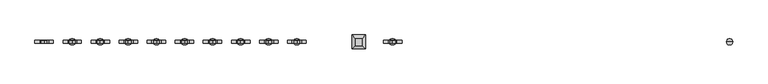
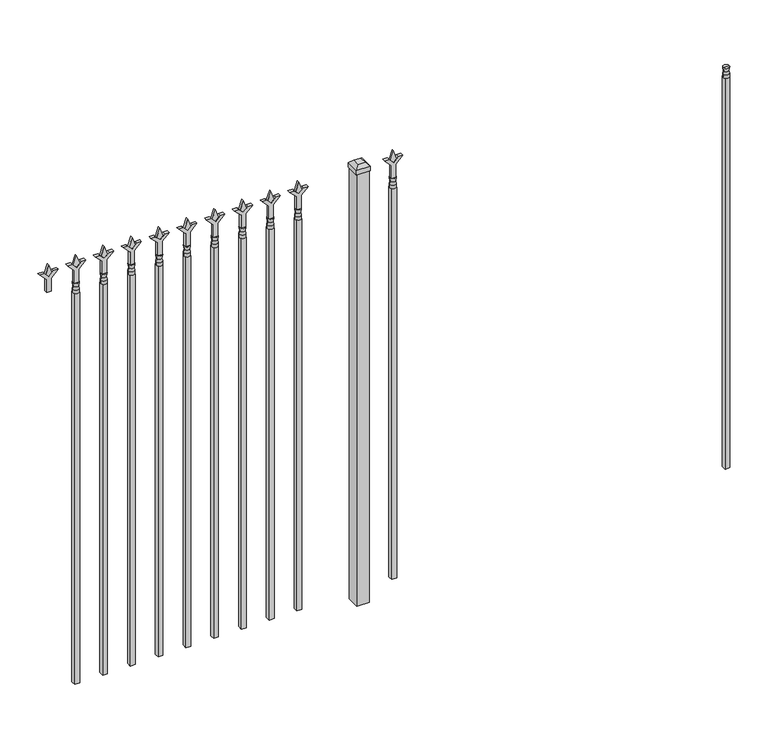
"""IFC4 building model written with IfcOpenShell, lengths in millimetres: railing geometry."""

from ifc_helpers import new_model, si_unit, frame, origin, origin_with_axes, place, context, project, spatial, polyline, circle_curve, outline, extrude, faceted_brep, source, transform, mapped, element, save
from ifc_brep_helpers import plane_surface, cylinder_surface, revolved_surface, advanced_brep


def railing_6a6ed2f3(model_context):
    return source(origin(), model_context, "Body", "SolidModel", [
        advanced_brep(
        [(-64411.574337, -3073.6570174, 1689.1), (-64435.386837, -3073.6570174, 1689.1), (-64435.386837, -3073.6570174, 1676.4), (-64411.574337, -3073.6570174, 1676.4), (-64413.7796688, -3073.6570174, 1701.6070585), (-64433.1815051, -3073.6570174, 1701.6070585), (-64411.574337, -3073.6570174, 1717.675), (-64435.386837, -3073.6570174, 1717.675), (-64423.480587, -3073.6570174, 1717.675), (-64423.480587, -3073.6570174, 1676.4)],
        [
            (0, 1, circle_curve(frame((-64423.480587, -3073.6570174, 1689.1), z_axis=(0.0, 0.0, -1.0), x_axis=(-1.0, 0.0, 0.0)), 11.90625)),
            (1, 2),
            (2, 3, circle_curve(frame((-64423.480587, -3073.6570174, 1676.4), z_axis=(0.0, 0.0, 1.0), x_axis=(-1.0, 0.0, 0.0)), 11.90625)),
            (3, 0),
            (1, 0, circle_curve(frame((-64423.480587, -3073.6570174, 1689.1), z_axis=(0.0, 0.0, -1.0), x_axis=(-1.0, 0.0, 0.0)), 11.90625)),
            (3, 2, circle_curve(frame((-64423.480587, -3073.6570174, 1676.4), z_axis=(0.0, 0.0, 1.0), x_axis=(-1.0, 0.0, 0.0)), 11.90625)),
            (4, 5, circle_curve(frame((-64423.480587, -3073.6570174, 1701.6070585), z_axis=(0.0, 0.0, -1.0), x_axis=(-1.0, 0.0, 0.0)), 9.7009181)),
            (5, 1),
            (0, 4),
            (5, 4, circle_curve(frame((-64423.480587, -3073.6570174, 1701.6070585), z_axis=(0.0, 0.0, -1.0), x_axis=(-1.0, 0.0, 0.0)), 9.7009181)),
            (6, 7, circle_curve(frame((-64423.480587, -3073.6570174, 1717.675), z_axis=(0.0, 0.0, -1.0), x_axis=(-1.0, 0.0, 0.0)), 11.90625)),
            (7, 5),
            (4, 6),
            (7, 6, circle_curve(frame((-64423.480587, -3073.6570174, 1717.675), z_axis=(0.0, 0.0, -1.0), x_axis=(-1.0, 0.0, 0.0)), 11.90625)),
            (8, 7),
            (6, 8),
            (2, 9),
            (9, 3),
        ],
        [
            cylinder_surface(frame((-64423.480587, -3073.6570174, 1676.4), z_axis=(0.0, 0.0, 1.0), x_axis=(-1.0, 0.0, 0.0)), 11.90625),
            revolved_surface(polyline([(-64435.386837, -3073.6570174, 1689.1), (-64433.1815051, -3073.6570174, 1701.6070585)]), (-64423.480587, -3073.6570174, 1676.4), (0.0, 0.0, 1.0)),
            revolved_surface(polyline([(-64433.1815051, -3073.6570174, 1701.6070585), (-64435.386837, -3073.6570174, 1717.675)]), (-64423.480587, -3073.6570174, 1676.4), (0.0, 0.0, 1.0)),
            plane_surface(frame((-64423.480587, -3073.6570174, 1717.675), z_axis=(0.0, 0.0, 1.0), x_axis=(-1.0, 0.0, 0.0))),
            plane_surface(frame((-64423.480587, -3073.6570174, 1676.4), z_axis=(0.0, 0.0, -1.0), x_axis=(-1.0, 0.0, 0.0))),
        ],
        [
            (0, [[1, 2, 3, 4]]),
            (0, [[5, -4, 6, -2]]),
            (1, [[7, 8, -1, 9]]),
            (1, [[10, -9, -5, -8]]),
            (2, [[11, 12, -7, 13]]),
            (2, [[14, -13, -10, -12]]),
            (3, [[15, -11, 16]]),
            (3, [[-16, -14, -15]]),
            (4, [[-3, 17, 18]]),
            (4, [[-6, -18, -17]]),
        ],
    ),
        extrude(outline(polyline([(-64433.005587, -3064.1320174), (-64413.955587, -3064.1320174), (-64413.955587, -3083.1820174), (-64433.005587, -3083.1820174), (-64433.005587, -3064.1320174)])), frame((0.0, 0.0, 50.8), z_axis=(0.0, 0.0, 1.0), x_axis=(1.0, 0.0, 0.0)), (0.0, 0.0, 1.0), 1625.6),
        extrude(outline(polyline([(1793.08125, -65722.849337), (1828.8, -65734.755587), (1793.08125, -65746.661837), (1781.175, -65734.755587), (1793.08125, -65722.849337)])), frame((0.0, -3078.4195174, 0.0), z_axis=(0.0, 1.0, 0.0), x_axis=(0.0, 0.0, 1.0)), (0.0, 0.0, 1.0), 9.525),
        extrude(outline(polyline([(1717.675, -65726.024337), (1771.9457378, -65726.024337), (1799.1355122, -65698.8345625), (1799.1355122, -65716.7950747), (1781.175, -65734.755587), (1799.1355122, -65752.7160992), (1799.1355122, -65770.6766114), (1771.9457378, -65743.486837), (1717.675, -65743.486837), (1717.675, -65726.024337)])), frame((0.0, -3080.0070174, 0.0), z_axis=(0.0, 1.0, 0.0), x_axis=(0.0, 0.0, 1.0)), (0.0, 0.0, 1.0), 12.7),
        advanced_brep(
        [(-65722.849337, -3073.6570174, 1689.1), (-65746.661837, -3073.6570174, 1689.1), (-65746.661837, -3073.6570174, 1676.4), (-65722.849337, -3073.6570174, 1676.4), (-65725.0546688, -3073.6570174, 1701.6070585), (-65744.4565051, -3073.6570174, 1701.6070585), (-65722.849337, -3073.6570174, 1717.675), (-65746.661837, -3073.6570174, 1717.675), (-65734.755587, -3073.6570174, 1717.675), (-65734.755587, -3073.6570174, 1676.4)],
        [
            (0, 1, circle_curve(frame((-65734.755587, -3073.6570174, 1689.1), z_axis=(0.0, 0.0, -1.0), x_axis=(-1.0, 0.0, 0.0)), 11.90625)),
            (1, 2),
            (2, 3, circle_curve(frame((-65734.755587, -3073.6570174, 1676.4), z_axis=(0.0, 0.0, 1.0), x_axis=(-1.0, 0.0, 0.0)), 11.90625)),
            (3, 0),
            (1, 0, circle_curve(frame((-65734.755587, -3073.6570174, 1689.1), z_axis=(0.0, 0.0, -1.0), x_axis=(-1.0, 0.0, 0.0)), 11.90625)),
            (3, 2, circle_curve(frame((-65734.755587, -3073.6570174, 1676.4), z_axis=(0.0, 0.0, 1.0), x_axis=(-1.0, 0.0, 0.0)), 11.90625)),
            (4, 5, circle_curve(frame((-65734.755587, -3073.6570174, 1701.6070585), z_axis=(0.0, 0.0, -1.0), x_axis=(-1.0, 0.0, 0.0)), 9.7009181)),
            (5, 1),
            (0, 4),
            (5, 4, circle_curve(frame((-65734.755587, -3073.6570174, 1701.6070585), z_axis=(0.0, 0.0, -1.0), x_axis=(-1.0, 0.0, 0.0)), 9.7009181)),
            (6, 7, circle_curve(frame((-65734.755587, -3073.6570174, 1717.675), z_axis=(0.0, 0.0, -1.0), x_axis=(-1.0, 0.0, 0.0)), 11.90625)),
            (7, 5),
            (4, 6),
            (7, 6, circle_curve(frame((-65734.755587, -3073.6570174, 1717.675), z_axis=(0.0, 0.0, -1.0), x_axis=(-1.0, 0.0, 0.0)), 11.90625)),
            (8, 7),
            (6, 8),
            (2, 9),
            (9, 3),
        ],
        [
            cylinder_surface(frame((-65734.755587, -3073.6570174, 1676.4), z_axis=(0.0, 0.0, 1.0), x_axis=(-1.0, 0.0, 0.0)), 11.90625),
            revolved_surface(polyline([(-65746.661837, -3073.6570174, 1689.1), (-65744.4565051, -3073.6570174, 1701.6070585)]), (-65734.755587, -3073.6570174, 1676.4), (0.0, 0.0, 1.0)),
            revolved_surface(polyline([(-65744.4565051, -3073.6570174, 1701.6070585), (-65746.661837, -3073.6570174, 1717.675)]), (-65734.755587, -3073.6570174, 1676.4), (0.0, 0.0, 1.0)),
            plane_surface(frame((-65734.755587, -3073.6570174, 1717.675), z_axis=(0.0, 0.0, 1.0), x_axis=(-1.0, 0.0, 0.0))),
            plane_surface(frame((-65734.755587, -3073.6570174, 1676.4), z_axis=(0.0, 0.0, -1.0), x_axis=(-1.0, 0.0, 0.0))),
        ],
        [
            (0, [[1, 2, 3, 4]]),
            (0, [[5, -4, 6, -2]]),
            (1, [[7, 8, -1, 9]]),
            (1, [[10, -9, -5, -8]]),
            (2, [[11, 12, -7, 13]]),
            (2, [[14, -13, -10, -12]]),
            (3, [[15, -11, 16]]),
            (3, [[-16, -14, -15]]),
            (4, [[-3, 17, 18]]),
            (4, [[-6, -18, -17]]),
        ],
    ),
        extrude(outline(polyline([(-65744.280587, -3064.1320174), (-65725.230587, -3064.1320174), (-65725.230587, -3083.1820174), (-65744.280587, -3083.1820174), (-65744.280587, -3064.1320174)])), frame((0.0, 0.0, 50.8), z_axis=(0.0, 0.0, 1.0), x_axis=(1.0, 0.0, 0.0)), (0.0, 0.0, 1.0), 1625.6),
        extrude(outline(polyline([(-65841.118087, -3048.2570174), (-65841.118087, -3099.0570174), (-65891.918087, -3099.0570174), (-65891.918087, -3048.2570174), (-65841.118087, -3048.2570174)])), origin_with_axes(), (0.0, 0.0, 1.0), 1797.05),
        faceted_brep([(-65893.505587, -3046.6695174, 1816.1), (-65893.505587, -3046.6695174, 1797.05), (-65893.505587, -3100.6445174, 1797.05), (-65893.505587, -3100.6445174, 1816.1), (-65880.805587, -3059.3695174, 1828.8), (-65880.805587, -3087.9445174, 1828.8), (-65839.530587, -3100.6445174, 1797.05), (-65839.530587, -3100.6445174, 1816.1), (-65852.230587, -3087.9445174, 1828.8), (-65839.530587, -3046.6695174, 1797.05), (-65839.530587, -3046.6695174, 1816.1), (-65852.230587, -3059.3695174, 1828.8)], [[[0, 1, 2, 3]], [[4, 0, 3, 5]], [[3, 2, 6, 7]], [[5, 3, 7, 8]], [[7, 6, 9, 10]], [[8, 7, 10, 11]], [[10, 9, 1, 0]], [[11, 10, 0, 4]], [[5, 8, 11, 4]], [[1, 9, 6, 2]]]),
        extrude(outline(polyline([(1793.08125, -66095.6472536), (1828.8, -66107.5535036), (1793.08125, -66119.4597536), (1781.175, -66107.5535036), (1793.08125, -66095.6472536)])), frame((0.0, -3078.4195174, 0.0), z_axis=(0.0, 1.0, 0.0), x_axis=(0.0, 0.0, 1.0)), (0.0, 0.0, 1.0), 9.525),
        extrude(outline(polyline([(1717.675, -66098.8222536), (1771.9457378, -66098.8222536), (1799.1355122, -66071.6324791), (1799.1355122, -66089.5929914), (1781.175, -66107.5535036), (1799.1355122, -66125.5140159), (1799.1355122, -66143.4745281), (1771.9457378, -66116.2847536), (1717.675, -66116.2847536), (1717.675, -66098.8222536)])), frame((0.0, -3080.0070174, 0.0), z_axis=(0.0, 1.0, 0.0), x_axis=(0.0, 0.0, 1.0)), (0.0, 0.0, 1.0), 12.7),
        advanced_brep(
        [(-66095.6472536, -3073.6570174, 1689.1), (-66119.4597536, -3073.6570174, 1689.1), (-66119.4597536, -3073.6570174, 1676.4), (-66095.6472536, -3073.6570174, 1676.4), (-66097.8525855, -3073.6570174, 1701.6070585), (-66117.2544218, -3073.6570174, 1701.6070585), (-66095.6472536, -3073.6570174, 1717.675), (-66119.4597536, -3073.6570174, 1717.675), (-66107.5535036, -3073.6570174, 1717.675), (-66107.5535036, -3073.6570174, 1676.4)],
        [
            (0, 1, circle_curve(frame((-66107.5535036, -3073.6570174, 1689.1), z_axis=(0.0, 0.0, -1.0), x_axis=(-1.0, 0.0, 0.0)), 11.90625)),
            (1, 2),
            (2, 3, circle_curve(frame((-66107.5535036, -3073.6570174, 1676.4), z_axis=(0.0, 0.0, 1.0), x_axis=(-1.0, 0.0, 0.0)), 11.90625)),
            (3, 0),
            (1, 0, circle_curve(frame((-66107.5535036, -3073.6570174, 1689.1), z_axis=(0.0, 0.0, -1.0), x_axis=(-1.0, 0.0, 0.0)), 11.90625)),
            (3, 2, circle_curve(frame((-66107.5535036, -3073.6570174, 1676.4), z_axis=(0.0, 0.0, 1.0), x_axis=(-1.0, 0.0, 0.0)), 11.90625)),
            (4, 5, circle_curve(frame((-66107.5535036, -3073.6570174, 1701.6070585), z_axis=(0.0, 0.0, -1.0), x_axis=(-1.0, 0.0, 0.0)), 9.7009181)),
            (5, 1),
            (0, 4),
            (5, 4, circle_curve(frame((-66107.5535036, -3073.6570174, 1701.6070585), z_axis=(0.0, 0.0, -1.0), x_axis=(-1.0, 0.0, 0.0)), 9.7009181)),
            (6, 7, circle_curve(frame((-66107.5535036, -3073.6570174, 1717.675), z_axis=(0.0, 0.0, -1.0), x_axis=(-1.0, 0.0, 0.0)), 11.90625)),
            (7, 5),
            (4, 6),
            (7, 6, circle_curve(frame((-66107.5535036, -3073.6570174, 1717.675), z_axis=(0.0, 0.0, -1.0), x_axis=(-1.0, 0.0, 0.0)), 11.90625)),
            (8, 7),
            (6, 8),
            (2, 9),
            (9, 3),
        ],
        [
            cylinder_surface(frame((-66107.5535036, -3073.6570174, 1676.4), z_axis=(0.0, 0.0, 1.0), x_axis=(-1.0, 0.0, 0.0)), 11.90625),
            revolved_surface(polyline([(-66119.4597536, -3073.6570174, 1689.1), (-66117.2544218, -3073.6570174, 1701.6070585)]), (-66107.5535036, -3073.6570174, 1676.4), (0.0, 0.0, 1.0)),
            revolved_surface(polyline([(-66117.2544218, -3073.6570174, 1701.6070585), (-66119.4597536, -3073.6570174, 1717.675)]), (-66107.5535036, -3073.6570174, 1676.4), (0.0, 0.0, 1.0)),
            plane_surface(frame((-66107.5535036, -3073.6570174, 1717.675), z_axis=(0.0, 0.0, 1.0), x_axis=(-1.0, 0.0, 0.0))),
            plane_surface(frame((-66107.5535036, -3073.6570174, 1676.4), z_axis=(0.0, 0.0, -1.0), x_axis=(-1.0, 0.0, 0.0))),
        ],
        [
            (0, [[1, 2, 3, 4]]),
            (0, [[5, -4, 6, -2]]),
            (1, [[7, 8, -1, 9]]),
            (1, [[10, -9, -5, -8]]),
            (2, [[11, 12, -7, 13]]),
            (2, [[14, -13, -10, -12]]),
            (3, [[15, -11, 16]]),
            (3, [[-16, -14, -15]]),
            (4, [[-3, 17, 18]]),
            (4, [[-6, -18, -17]]),
        ],
    ),
        extrude(outline(polyline([(-66117.0785036, -3064.1320174), (-66098.0285036, -3064.1320174), (-66098.0285036, -3083.1820174), (-66117.0785036, -3083.1820174), (-66117.0785036, -3064.1320174)])), frame((0.0, 0.0, 50.8), z_axis=(0.0, 0.0, 1.0), x_axis=(1.0, 0.0, 0.0)), (0.0, 0.0, 1.0), 1625.6),
        extrude(outline(polyline([(1793.08125, -66204.9201703), (1828.8, -66216.8264203), (1793.08125, -66228.7326703), (1781.175, -66216.8264203), (1793.08125, -66204.9201703)])), frame((0.0, -3078.4195174, 0.0), z_axis=(0.0, 1.0, 0.0), x_axis=(0.0, 0.0, 1.0)), (0.0, 0.0, 1.0), 9.525),
        extrude(outline(polyline([(1717.675, -66208.0951703), (1771.9457378, -66208.0951703), (1799.1355122, -66180.9053958), (1799.1355122, -66198.8659081), (1781.175, -66216.8264203), (1799.1355122, -66234.7869325), (1799.1355122, -66252.7474448), (1771.9457378, -66225.5576703), (1717.675, -66225.5576703), (1717.675, -66208.0951703)])), frame((0.0, -3080.0070174, 0.0), z_axis=(0.0, 1.0, 0.0), x_axis=(0.0, 0.0, 1.0)), (0.0, 0.0, 1.0), 12.7),
        advanced_brep(
        [(-66204.9201703, -3073.6570174, 1689.1), (-66228.7326703, -3073.6570174, 1689.1), (-66228.7326703, -3073.6570174, 1676.4), (-66204.9201703, -3073.6570174, 1676.4), (-66207.1255022, -3073.6570174, 1701.6070585), (-66226.5273384, -3073.6570174, 1701.6070585), (-66204.9201703, -3073.6570174, 1717.675), (-66228.7326703, -3073.6570174, 1717.675), (-66216.8264203, -3073.6570174, 1717.675), (-66216.8264203, -3073.6570174, 1676.4)],
        [
            (0, 1, circle_curve(frame((-66216.8264203, -3073.6570174, 1689.1), z_axis=(0.0, 0.0, -1.0), x_axis=(-1.0, 0.0, 0.0)), 11.90625)),
            (1, 2),
            (2, 3, circle_curve(frame((-66216.8264203, -3073.6570174, 1676.4), z_axis=(0.0, 0.0, 1.0), x_axis=(-1.0, 0.0, 0.0)), 11.90625)),
            (3, 0),
            (1, 0, circle_curve(frame((-66216.8264203, -3073.6570174, 1689.1), z_axis=(0.0, 0.0, -1.0), x_axis=(-1.0, 0.0, 0.0)), 11.90625)),
            (3, 2, circle_curve(frame((-66216.8264203, -3073.6570174, 1676.4), z_axis=(0.0, 0.0, 1.0), x_axis=(-1.0, 0.0, 0.0)), 11.90625)),
            (4, 5, circle_curve(frame((-66216.8264203, -3073.6570174, 1701.6070585), z_axis=(0.0, 0.0, -1.0), x_axis=(-1.0, 0.0, 0.0)), 9.7009181)),
            (5, 1),
            (0, 4),
            (5, 4, circle_curve(frame((-66216.8264203, -3073.6570174, 1701.6070585), z_axis=(0.0, 0.0, -1.0), x_axis=(-1.0, 0.0, 0.0)), 9.7009181)),
            (6, 7, circle_curve(frame((-66216.8264203, -3073.6570174, 1717.675), z_axis=(0.0, 0.0, -1.0), x_axis=(-1.0, 0.0, 0.0)), 11.90625)),
            (7, 5),
            (4, 6),
            (7, 6, circle_curve(frame((-66216.8264203, -3073.6570174, 1717.675), z_axis=(0.0, 0.0, -1.0), x_axis=(-1.0, 0.0, 0.0)), 11.90625)),
            (8, 7),
            (6, 8),
            (2, 9),
            (9, 3),
        ],
        [
            cylinder_surface(frame((-66216.8264203, -3073.6570174, 1676.4), z_axis=(0.0, 0.0, 1.0), x_axis=(-1.0, 0.0, 0.0)), 11.90625),
            revolved_surface(polyline([(-66228.7326703, -3073.6570174, 1689.1), (-66226.5273384, -3073.6570174, 1701.6070585)]), (-66216.8264203, -3073.6570174, 1676.4), (0.0, 0.0, 1.0)),
            revolved_surface(polyline([(-66226.5273384, -3073.6570174, 1701.6070585), (-66228.7326703, -3073.6570174, 1717.675)]), (-66216.8264203, -3073.6570174, 1676.4), (0.0, 0.0, 1.0)),
            plane_surface(frame((-66216.8264203, -3073.6570174, 1717.675), z_axis=(0.0, 0.0, 1.0), x_axis=(-1.0, 0.0, 0.0))),
            plane_surface(frame((-66216.8264203, -3073.6570174, 1676.4), z_axis=(0.0, 0.0, -1.0), x_axis=(-1.0, 0.0, 0.0))),
        ],
        [
            (0, [[1, 2, 3, 4]]),
            (0, [[5, -4, 6, -2]]),
            (1, [[7, 8, -1, 9]]),
            (1, [[10, -9, -5, -8]]),
            (2, [[11, 12, -7, 13]]),
            (2, [[14, -13, -10, -12]]),
            (3, [[15, -11, 16]]),
            (3, [[-16, -14, -15]]),
            (4, [[-3, 17, 18]]),
            (4, [[-6, -18, -17]]),
        ],
    ),
        extrude(outline(polyline([(-66226.3514203, -3064.1320174), (-66207.3014203, -3064.1320174), (-66207.3014203, -3083.1820174), (-66226.3514203, -3083.1820174), (-66226.3514203, -3064.1320174)])), frame((0.0, 0.0, 50.8), z_axis=(0.0, 0.0, 1.0), x_axis=(1.0, 0.0, 0.0)), (0.0, 0.0, 1.0), 1625.6),
        extrude(outline(polyline([(1793.08125, -66314.193087), (1828.8, -66326.099337), (1793.08125, -66338.005587), (1781.175, -66326.099337), (1793.08125, -66314.193087)])), frame((0.0, -3078.4195174, 0.0), z_axis=(0.0, 1.0, 0.0), x_axis=(0.0, 0.0, 1.0)), (0.0, 0.0, 1.0), 9.525),
        extrude(outline(polyline([(1717.675, -66317.368087), (1771.9457378, -66317.368087), (1799.1355122, -66290.1783125), (1799.1355122, -66308.1388247), (1781.175, -66326.099337), (1799.1355122, -66344.0598492), (1799.1355122, -66362.0203614), (1771.9457378, -66334.830587), (1717.675, -66334.830587), (1717.675, -66317.368087)])), frame((0.0, -3080.0070174, 0.0), z_axis=(0.0, 1.0, 0.0), x_axis=(0.0, 0.0, 1.0)), (0.0, 0.0, 1.0), 12.7),
        advanced_brep(
        [(-66314.193087, -3073.6570174, 1689.1), (-66338.005587, -3073.6570174, 1689.1), (-66338.005587, -3073.6570174, 1676.4), (-66314.193087, -3073.6570174, 1676.4), (-66316.3984188, -3073.6570174, 1701.6070585), (-66335.8002551, -3073.6570174, 1701.6070585), (-66314.193087, -3073.6570174, 1717.675), (-66338.005587, -3073.6570174, 1717.675), (-66326.099337, -3073.6570174, 1717.675), (-66326.099337, -3073.6570174, 1676.4)],
        [
            (0, 1, circle_curve(frame((-66326.099337, -3073.6570174, 1689.1), z_axis=(0.0, 0.0, -1.0), x_axis=(-1.0, 0.0, 0.0)), 11.90625)),
            (1, 2),
            (2, 3, circle_curve(frame((-66326.099337, -3073.6570174, 1676.4), z_axis=(0.0, 0.0, 1.0), x_axis=(-1.0, 0.0, 0.0)), 11.90625)),
            (3, 0),
            (1, 0, circle_curve(frame((-66326.099337, -3073.6570174, 1689.1), z_axis=(0.0, 0.0, -1.0), x_axis=(-1.0, 0.0, 0.0)), 11.90625)),
            (3, 2, circle_curve(frame((-66326.099337, -3073.6570174, 1676.4), z_axis=(0.0, 0.0, 1.0), x_axis=(-1.0, 0.0, 0.0)), 11.90625)),
            (4, 5, circle_curve(frame((-66326.099337, -3073.6570174, 1701.6070585), z_axis=(0.0, 0.0, -1.0), x_axis=(-1.0, 0.0, 0.0)), 9.7009181)),
            (5, 1),
            (0, 4),
            (5, 4, circle_curve(frame((-66326.099337, -3073.6570174, 1701.6070585), z_axis=(0.0, 0.0, -1.0), x_axis=(-1.0, 0.0, 0.0)), 9.7009181)),
            (6, 7, circle_curve(frame((-66326.099337, -3073.6570174, 1717.675), z_axis=(0.0, 0.0, -1.0), x_axis=(-1.0, 0.0, 0.0)), 11.90625)),
            (7, 5),
            (4, 6),
            (7, 6, circle_curve(frame((-66326.099337, -3073.6570174, 1717.675), z_axis=(0.0, 0.0, -1.0), x_axis=(-1.0, 0.0, 0.0)), 11.90625)),
            (8, 7),
            (6, 8),
            (2, 9),
            (9, 3),
        ],
        [
            cylinder_surface(frame((-66326.099337, -3073.6570174, 1676.4), z_axis=(0.0, 0.0, 1.0), x_axis=(-1.0, 0.0, 0.0)), 11.90625),
            revolved_surface(polyline([(-66338.005587, -3073.6570174, 1689.1), (-66335.8002551, -3073.6570174, 1701.6070585)]), (-66326.099337, -3073.6570174, 1676.4), (0.0, 0.0, 1.0)),
            revolved_surface(polyline([(-66335.8002551, -3073.6570174, 1701.6070585), (-66338.005587, -3073.6570174, 1717.675)]), (-66326.099337, -3073.6570174, 1676.4), (0.0, 0.0, 1.0)),
            plane_surface(frame((-66326.099337, -3073.6570174, 1717.675), z_axis=(0.0, 0.0, 1.0), x_axis=(-1.0, 0.0, 0.0))),
            plane_surface(frame((-66326.099337, -3073.6570174, 1676.4), z_axis=(0.0, 0.0, -1.0), x_axis=(-1.0, 0.0, 0.0))),
        ],
        [
            (0, [[1, 2, 3, 4]]),
            (0, [[5, -4, 6, -2]]),
            (1, [[7, 8, -1, 9]]),
            (1, [[10, -9, -5, -8]]),
            (2, [[11, 12, -7, 13]]),
            (2, [[14, -13, -10, -12]]),
            (3, [[15, -11, 16]]),
            (3, [[-16, -14, -15]]),
            (4, [[-3, 17, 18]]),
            (4, [[-6, -18, -17]]),
        ],
    ),
        extrude(outline(polyline([(-66335.624337, -3064.1320174), (-66316.574337, -3064.1320174), (-66316.574337, -3083.1820174), (-66335.624337, -3083.1820174), (-66335.624337, -3064.1320174)])), frame((0.0, 0.0, 50.8), z_axis=(0.0, 0.0, 1.0), x_axis=(1.0, 0.0, 0.0)), (0.0, 0.0, 1.0), 1625.6),
        extrude(outline(polyline([(1793.08125, -66423.4660036), (1828.8, -66435.3722536), (1793.08125, -66447.2785036), (1781.175, -66435.3722536), (1793.08125, -66423.4660036)])), frame((0.0, -3078.4195174, 0.0), z_axis=(0.0, 1.0, 0.0), x_axis=(0.0, 0.0, 1.0)), (0.0, 0.0, 1.0), 9.525),
        extrude(outline(polyline([(1717.675, -66426.6410036), (1771.9457378, -66426.6410036), (1799.1355122, -66399.4512291), (1799.1355122, -66417.4117414), (1781.175, -66435.3722536), (1799.1355122, -66453.3327659), (1799.1355122, -66471.2932781), (1771.9457378, -66444.1035036), (1717.675, -66444.1035036), (1717.675, -66426.6410036)])), frame((0.0, -3080.0070174, 0.0), z_axis=(0.0, 1.0, 0.0), x_axis=(0.0, 0.0, 1.0)), (0.0, 0.0, 1.0), 12.7),
        advanced_brep(
        [(-66423.4660036, -3073.6570174, 1689.1), (-66447.2785036, -3073.6570174, 1689.1), (-66447.2785036, -3073.6570174, 1676.4), (-66423.4660036, -3073.6570174, 1676.4), (-66425.6713355, -3073.6570174, 1701.6070585), (-66445.0731718, -3073.6570174, 1701.6070585), (-66423.4660036, -3073.6570174, 1717.675), (-66447.2785036, -3073.6570174, 1717.675), (-66435.3722536, -3073.6570174, 1717.675), (-66435.3722536, -3073.6570174, 1676.4)],
        [
            (0, 1, circle_curve(frame((-66435.3722536, -3073.6570174, 1689.1), z_axis=(0.0, 0.0, -1.0), x_axis=(-1.0, 0.0, 0.0)), 11.90625)),
            (1, 2),
            (2, 3, circle_curve(frame((-66435.3722536, -3073.6570174, 1676.4), z_axis=(0.0, 0.0, 1.0), x_axis=(-1.0, 0.0, 0.0)), 11.90625)),
            (3, 0),
            (1, 0, circle_curve(frame((-66435.3722536, -3073.6570174, 1689.1), z_axis=(0.0, 0.0, -1.0), x_axis=(-1.0, 0.0, 0.0)), 11.90625)),
            (3, 2, circle_curve(frame((-66435.3722536, -3073.6570174, 1676.4), z_axis=(0.0, 0.0, 1.0), x_axis=(-1.0, 0.0, 0.0)), 11.90625)),
            (4, 5, circle_curve(frame((-66435.3722536, -3073.6570174, 1701.6070585), z_axis=(0.0, 0.0, -1.0), x_axis=(-1.0, 0.0, 0.0)), 9.7009181)),
            (5, 1),
            (0, 4),
            (5, 4, circle_curve(frame((-66435.3722536, -3073.6570174, 1701.6070585), z_axis=(0.0, 0.0, -1.0), x_axis=(-1.0, 0.0, 0.0)), 9.7009181)),
            (6, 7, circle_curve(frame((-66435.3722536, -3073.6570174, 1717.675), z_axis=(0.0, 0.0, -1.0), x_axis=(-1.0, 0.0, 0.0)), 11.90625)),
            (7, 5),
            (4, 6),
            (7, 6, circle_curve(frame((-66435.3722536, -3073.6570174, 1717.675), z_axis=(0.0, 0.0, -1.0), x_axis=(-1.0, 0.0, 0.0)), 11.90625)),
            (8, 7),
            (6, 8),
            (2, 9),
            (9, 3),
        ],
        [
            cylinder_surface(frame((-66435.3722536, -3073.6570174, 1676.4), z_axis=(0.0, 0.0, 1.0), x_axis=(-1.0, 0.0, 0.0)), 11.90625),
            revolved_surface(polyline([(-66447.2785036, -3073.6570174, 1689.1), (-66445.0731718, -3073.6570174, 1701.6070585)]), (-66435.3722536, -3073.6570174, 1676.4), (0.0, 0.0, 1.0)),
            revolved_surface(polyline([(-66445.0731718, -3073.6570174, 1701.6070585), (-66447.2785036, -3073.6570174, 1717.675)]), (-66435.3722536, -3073.6570174, 1676.4), (0.0, 0.0, 1.0)),
            plane_surface(frame((-66435.3722536, -3073.6570174, 1717.675), z_axis=(0.0, 0.0, 1.0), x_axis=(-1.0, 0.0, 0.0))),
            plane_surface(frame((-66435.3722536, -3073.6570174, 1676.4), z_axis=(0.0, 0.0, -1.0), x_axis=(-1.0, 0.0, 0.0))),
        ],
        [
            (0, [[1, 2, 3, 4]]),
            (0, [[5, -4, 6, -2]]),
            (1, [[7, 8, -1, 9]]),
            (1, [[10, -9, -5, -8]]),
            (2, [[11, 12, -7, 13]]),
            (2, [[14, -13, -10, -12]]),
            (3, [[15, -11, 16]]),
            (3, [[-16, -14, -15]]),
            (4, [[-3, 17, 18]]),
            (4, [[-6, -18, -17]]),
        ],
    ),
        extrude(outline(polyline([(-66444.8972536, -3064.1320174), (-66425.8472536, -3064.1320174), (-66425.8472536, -3083.1820174), (-66444.8972536, -3083.1820174), (-66444.8972536, -3064.1320174)])), frame((0.0, 0.0, 50.8), z_axis=(0.0, 0.0, 1.0), x_axis=(1.0, 0.0, 0.0)), (0.0, 0.0, 1.0), 1625.6),
        extrude(outline(polyline([(1793.08125, -66532.7389203), (1828.8, -66544.6451703), (1793.08125, -66556.5514203), (1781.175, -66544.6451703), (1793.08125, -66532.7389203)])), frame((0.0, -3078.4195174, 0.0), z_axis=(0.0, 1.0, 0.0), x_axis=(0.0, 0.0, 1.0)), (0.0, 0.0, 1.0), 9.525),
        extrude(outline(polyline([(1717.675, -66535.9139203), (1771.9457378, -66535.9139203), (1799.1355122, -66508.7241458), (1799.1355122, -66526.6846581), (1781.175, -66544.6451703), (1799.1355122, -66562.6056825), (1799.1355122, -66580.5661948), (1771.9457378, -66553.3764203), (1717.675, -66553.3764203), (1717.675, -66535.9139203)])), frame((0.0, -3080.0070174, 0.0), z_axis=(0.0, 1.0, 0.0), x_axis=(0.0, 0.0, 1.0)), (0.0, 0.0, 1.0), 12.7),
        advanced_brep(
        [(-66532.7389203, -3073.6570174, 1689.1), (-66556.5514203, -3073.6570174, 1689.1), (-66556.5514203, -3073.6570174, 1676.4), (-66532.7389203, -3073.6570174, 1676.4), (-66534.9442522, -3073.6570174, 1701.6070585), (-66554.3460884, -3073.6570174, 1701.6070585), (-66532.7389203, -3073.6570174, 1717.675), (-66556.5514203, -3073.6570174, 1717.675), (-66544.6451703, -3073.6570174, 1717.675), (-66544.6451703, -3073.6570174, 1676.4)],
        [
            (0, 1, circle_curve(frame((-66544.6451703, -3073.6570174, 1689.1), z_axis=(0.0, 0.0, -1.0), x_axis=(-1.0, 0.0, 0.0)), 11.90625)),
            (1, 2),
            (2, 3, circle_curve(frame((-66544.6451703, -3073.6570174, 1676.4), z_axis=(0.0, 0.0, 1.0), x_axis=(-1.0, 0.0, 0.0)), 11.90625)),
            (3, 0),
            (1, 0, circle_curve(frame((-66544.6451703, -3073.6570174, 1689.1), z_axis=(0.0, 0.0, -1.0), x_axis=(-1.0, 0.0, 0.0)), 11.90625)),
            (3, 2, circle_curve(frame((-66544.6451703, -3073.6570174, 1676.4), z_axis=(0.0, 0.0, 1.0), x_axis=(-1.0, 0.0, 0.0)), 11.90625)),
            (4, 5, circle_curve(frame((-66544.6451703, -3073.6570174, 1701.6070585), z_axis=(0.0, 0.0, -1.0), x_axis=(-1.0, 0.0, 0.0)), 9.7009181)),
            (5, 1),
            (0, 4),
            (5, 4, circle_curve(frame((-66544.6451703, -3073.6570174, 1701.6070585), z_axis=(0.0, 0.0, -1.0), x_axis=(-1.0, 0.0, 0.0)), 9.7009181)),
            (6, 7, circle_curve(frame((-66544.6451703, -3073.6570174, 1717.675), z_axis=(0.0, 0.0, -1.0), x_axis=(-1.0, 0.0, 0.0)), 11.90625)),
            (7, 5),
            (4, 6),
            (7, 6, circle_curve(frame((-66544.6451703, -3073.6570174, 1717.675), z_axis=(0.0, 0.0, -1.0), x_axis=(-1.0, 0.0, 0.0)), 11.90625)),
            (8, 7),
            (6, 8),
            (2, 9),
            (9, 3),
        ],
        [
            cylinder_surface(frame((-66544.6451703, -3073.6570174, 1676.4), z_axis=(0.0, 0.0, 1.0), x_axis=(-1.0, 0.0, 0.0)), 11.90625),
            revolved_surface(polyline([(-66556.5514203, -3073.6570174, 1689.1), (-66554.3460884, -3073.6570174, 1701.6070585)]), (-66544.6451703, -3073.6570174, 1676.4), (0.0, 0.0, 1.0)),
            revolved_surface(polyline([(-66554.3460884, -3073.6570174, 1701.6070585), (-66556.5514203, -3073.6570174, 1717.675)]), (-66544.6451703, -3073.6570174, 1676.4), (0.0, 0.0, 1.0)),
            plane_surface(frame((-66544.6451703, -3073.6570174, 1717.675), z_axis=(0.0, 0.0, 1.0), x_axis=(-1.0, 0.0, 0.0))),
            plane_surface(frame((-66544.6451703, -3073.6570174, 1676.4), z_axis=(0.0, 0.0, -1.0), x_axis=(-1.0, 0.0, 0.0))),
        ],
        [
            (0, [[1, 2, 3, 4]]),
            (0, [[5, -4, 6, -2]]),
            (1, [[7, 8, -1, 9]]),
            (1, [[10, -9, -5, -8]]),
            (2, [[11, 12, -7, 13]]),
            (2, [[14, -13, -10, -12]]),
            (3, [[15, -11, 16]]),
            (3, [[-16, -14, -15]]),
            (4, [[-3, 17, 18]]),
            (4, [[-6, -18, -17]]),
        ],
    ),
        extrude(outline(polyline([(-66554.1701703, -3064.1320174), (-66535.1201703, -3064.1320174), (-66535.1201703, -3083.1820174), (-66554.1701703, -3083.1820174), (-66554.1701703, -3064.1320174)])), frame((0.0, 0.0, 50.8), z_axis=(0.0, 0.0, 1.0), x_axis=(1.0, 0.0, 0.0)), (0.0, 0.0, 1.0), 1625.6),
        extrude(outline(polyline([(1793.08125, -66642.011837), (1828.8, -66653.918087), (1793.08125, -66665.824337), (1781.175, -66653.918087), (1793.08125, -66642.011837)])), frame((0.0, -3078.4195174, 0.0), z_axis=(0.0, 1.0, 0.0), x_axis=(0.0, 0.0, 1.0)), (0.0, 0.0, 1.0), 9.525),
        extrude(outline(polyline([(1717.675, -66645.186837), (1771.9457378, -66645.186837), (1799.1355122, -66617.9970625), (1799.1355122, -66635.9575747), (1781.175, -66653.918087), (1799.1355122, -66671.8785992), (1799.1355122, -66689.8391114), (1771.9457378, -66662.649337), (1717.675, -66662.649337), (1717.675, -66645.186837)])), frame((0.0, -3080.0070174, 0.0), z_axis=(0.0, 1.0, 0.0), x_axis=(0.0, 0.0, 1.0)), (0.0, 0.0, 1.0), 12.7),
        advanced_brep(
        [(-66642.011837, -3073.6570174, 1689.1), (-66665.824337, -3073.6570174, 1689.1), (-66665.824337, -3073.6570174, 1676.4), (-66642.011837, -3073.6570174, 1676.4), (-66644.2171688, -3073.6570174, 1701.6070585), (-66663.6190051, -3073.6570174, 1701.6070585), (-66642.011837, -3073.6570174, 1717.675), (-66665.824337, -3073.6570174, 1717.675), (-66653.918087, -3073.6570174, 1717.675), (-66653.918087, -3073.6570174, 1676.4)],
        [
            (0, 1, circle_curve(frame((-66653.918087, -3073.6570174, 1689.1), z_axis=(0.0, 0.0, -1.0), x_axis=(-1.0, 0.0, 0.0)), 11.90625)),
            (1, 2),
            (2, 3, circle_curve(frame((-66653.918087, -3073.6570174, 1676.4), z_axis=(0.0, 0.0, 1.0), x_axis=(-1.0, 0.0, 0.0)), 11.90625)),
            (3, 0),
            (1, 0, circle_curve(frame((-66653.918087, -3073.6570174, 1689.1), z_axis=(0.0, 0.0, -1.0), x_axis=(-1.0, 0.0, 0.0)), 11.90625)),
            (3, 2, circle_curve(frame((-66653.918087, -3073.6570174, 1676.4), z_axis=(0.0, 0.0, 1.0), x_axis=(-1.0, 0.0, 0.0)), 11.90625)),
            (4, 5, circle_curve(frame((-66653.918087, -3073.6570174, 1701.6070585), z_axis=(0.0, 0.0, -1.0), x_axis=(-1.0, 0.0, 0.0)), 9.7009181)),
            (5, 1),
            (0, 4),
            (5, 4, circle_curve(frame((-66653.918087, -3073.6570174, 1701.6070585), z_axis=(0.0, 0.0, -1.0), x_axis=(-1.0, 0.0, 0.0)), 9.7009181)),
            (6, 7, circle_curve(frame((-66653.918087, -3073.6570174, 1717.675), z_axis=(0.0, 0.0, -1.0), x_axis=(-1.0, 0.0, 0.0)), 11.90625)),
            (7, 5),
            (4, 6),
            (7, 6, circle_curve(frame((-66653.918087, -3073.6570174, 1717.675), z_axis=(0.0, 0.0, -1.0), x_axis=(-1.0, 0.0, 0.0)), 11.90625)),
            (8, 7),
            (6, 8),
            (2, 9),
            (9, 3),
        ],
        [
            cylinder_surface(frame((-66653.918087, -3073.6570174, 1676.4), z_axis=(0.0, 0.0, 1.0), x_axis=(-1.0, 0.0, 0.0)), 11.90625),
            revolved_surface(polyline([(-66665.824337, -3073.6570174, 1689.1), (-66663.6190051, -3073.6570174, 1701.6070585)]), (-66653.918087, -3073.6570174, 1676.4), (0.0, 0.0, 1.0)),
            revolved_surface(polyline([(-66663.6190051, -3073.6570174, 1701.6070585), (-66665.824337, -3073.6570174, 1717.675)]), (-66653.918087, -3073.6570174, 1676.4), (0.0, 0.0, 1.0)),
            plane_surface(frame((-66653.918087, -3073.6570174, 1717.675), z_axis=(0.0, 0.0, 1.0), x_axis=(-1.0, 0.0, 0.0))),
            plane_surface(frame((-66653.918087, -3073.6570174, 1676.4), z_axis=(0.0, 0.0, -1.0), x_axis=(-1.0, 0.0, 0.0))),
        ],
        [
            (0, [[1, 2, 3, 4]]),
            (0, [[5, -4, 6, -2]]),
            (1, [[7, 8, -1, 9]]),
            (1, [[10, -9, -5, -8]]),
            (2, [[11, 12, -7, 13]]),
            (2, [[14, -13, -10, -12]]),
            (3, [[15, -11, 16]]),
            (3, [[-16, -14, -15]]),
            (4, [[-3, 17, 18]]),
            (4, [[-6, -18, -17]]),
        ],
    ),
        extrude(outline(polyline([(-66663.443087, -3064.1320174), (-66644.393087, -3064.1320174), (-66644.393087, -3083.1820174), (-66663.443087, -3083.1820174), (-66663.443087, -3064.1320174)])), frame((0.0, 0.0, 50.8), z_axis=(0.0, 0.0, 1.0), x_axis=(1.0, 0.0, 0.0)), (0.0, 0.0, 1.0), 1625.6),
        extrude(outline(polyline([(1793.08125, -66751.2847536), (1828.8, -66763.1910036), (1793.08125, -66775.0972536), (1781.175, -66763.1910036), (1793.08125, -66751.2847536)])), frame((0.0, -3078.4195174, 0.0), z_axis=(0.0, 1.0, 0.0), x_axis=(0.0, 0.0, 1.0)), (0.0, 0.0, 1.0), 9.525),
        extrude(outline(polyline([(1717.675, -66754.4597536), (1771.9457378, -66754.4597536), (1799.1355122, -66727.2699791), (1799.1355122, -66745.2304914), (1781.175, -66763.1910036), (1799.1355122, -66781.1515159), (1799.1355122, -66799.1120281), (1771.9457378, -66771.9222536), (1717.675, -66771.9222536), (1717.675, -66754.4597536)])), frame((0.0, -3080.0070174, 0.0), z_axis=(0.0, 1.0, 0.0), x_axis=(0.0, 0.0, 1.0)), (0.0, 0.0, 1.0), 12.7),
        advanced_brep(
        [(-66751.2847536, -3073.6570174, 1689.1), (-66775.0972536, -3073.6570174, 1689.1), (-66775.0972536, -3073.6570174, 1676.4), (-66751.2847536, -3073.6570174, 1676.4), (-66753.4900855, -3073.6570174, 1701.6070585), (-66772.8919218, -3073.6570174, 1701.6070585), (-66751.2847536, -3073.6570174, 1717.675), (-66775.0972536, -3073.6570174, 1717.675), (-66763.1910036, -3073.6570174, 1717.675), (-66763.1910036, -3073.6570174, 1676.4)],
        [
            (0, 1, circle_curve(frame((-66763.1910036, -3073.6570174, 1689.1), z_axis=(0.0, 0.0, -1.0), x_axis=(-1.0, 0.0, 0.0)), 11.90625)),
            (1, 2),
            (2, 3, circle_curve(frame((-66763.1910036, -3073.6570174, 1676.4), z_axis=(0.0, 0.0, 1.0), x_axis=(-1.0, 0.0, 0.0)), 11.90625)),
            (3, 0),
            (1, 0, circle_curve(frame((-66763.1910036, -3073.6570174, 1689.1), z_axis=(0.0, 0.0, -1.0), x_axis=(-1.0, 0.0, 0.0)), 11.90625)),
            (3, 2, circle_curve(frame((-66763.1910036, -3073.6570174, 1676.4), z_axis=(0.0, 0.0, 1.0), x_axis=(-1.0, 0.0, 0.0)), 11.90625)),
            (4, 5, circle_curve(frame((-66763.1910036, -3073.6570174, 1701.6070585), z_axis=(0.0, 0.0, -1.0), x_axis=(-1.0, 0.0, 0.0)), 9.7009181)),
            (5, 1),
            (0, 4),
            (5, 4, circle_curve(frame((-66763.1910036, -3073.6570174, 1701.6070585), z_axis=(0.0, 0.0, -1.0), x_axis=(-1.0, 0.0, 0.0)), 9.7009181)),
            (6, 7, circle_curve(frame((-66763.1910036, -3073.6570174, 1717.675), z_axis=(0.0, 0.0, -1.0), x_axis=(-1.0, 0.0, 0.0)), 11.90625)),
            (7, 5),
            (4, 6),
            (7, 6, circle_curve(frame((-66763.1910036, -3073.6570174, 1717.675), z_axis=(0.0, 0.0, -1.0), x_axis=(-1.0, 0.0, 0.0)), 11.90625)),
            (8, 7),
            (6, 8),
            (2, 9),
            (9, 3),
        ],
        [
            cylinder_surface(frame((-66763.1910036, -3073.6570174, 1676.4), z_axis=(0.0, 0.0, 1.0), x_axis=(-1.0, 0.0, 0.0)), 11.90625),
            revolved_surface(polyline([(-66775.0972536, -3073.6570174, 1689.1), (-66772.8919218, -3073.6570174, 1701.6070585)]), (-66763.1910036, -3073.6570174, 1676.4), (0.0, 0.0, 1.0)),
            revolved_surface(polyline([(-66772.8919218, -3073.6570174, 1701.6070585), (-66775.0972536, -3073.6570174, 1717.675)]), (-66763.1910036, -3073.6570174, 1676.4), (0.0, 0.0, 1.0)),
            plane_surface(frame((-66763.1910036, -3073.6570174, 1717.675), z_axis=(0.0, 0.0, 1.0), x_axis=(-1.0, 0.0, 0.0))),
            plane_surface(frame((-66763.1910036, -3073.6570174, 1676.4), z_axis=(0.0, 0.0, -1.0), x_axis=(-1.0, 0.0, 0.0))),
        ],
        [
            (0, [[1, 2, 3, 4]]),
            (0, [[5, -4, 6, -2]]),
            (1, [[7, 8, -1, 9]]),
            (1, [[10, -9, -5, -8]]),
            (2, [[11, 12, -7, 13]]),
            (2, [[14, -13, -10, -12]]),
            (3, [[15, -11, 16]]),
            (3, [[-16, -14, -15]]),
            (4, [[-3, 17, 18]]),
            (4, [[-6, -18, -17]]),
        ],
    ),
        extrude(outline(polyline([(-66772.7160036, -3064.1320174), (-66753.6660036, -3064.1320174), (-66753.6660036, -3083.1820174), (-66772.7160036, -3083.1820174), (-66772.7160036, -3064.1320174)])), frame((0.0, 0.0, 50.8), z_axis=(0.0, 0.0, 1.0), x_axis=(1.0, 0.0, 0.0)), (0.0, 0.0, 1.0), 1625.6),
        extrude(outline(polyline([(1793.08125, -66860.5576703), (1828.8, -66872.4639203), (1793.08125, -66884.3701703), (1781.175, -66872.4639203), (1793.08125, -66860.5576703)])), frame((0.0, -3078.4195174, 0.0), z_axis=(0.0, 1.0, 0.0), x_axis=(0.0, 0.0, 1.0)), (0.0, 0.0, 1.0), 9.525),
        extrude(outline(polyline([(1717.675, -66863.7326703), (1771.9457378, -66863.7326703), (1799.1355122, -66836.5428958), (1799.1355122, -66854.5034081), (1781.175, -66872.4639203), (1799.1355122, -66890.4244325), (1799.1355122, -66908.3849448), (1771.9457378, -66881.1951703), (1717.675, -66881.1951703), (1717.675, -66863.7326703)])), frame((0.0, -3080.0070174, 0.0), z_axis=(0.0, 1.0, 0.0), x_axis=(0.0, 0.0, 1.0)), (0.0, 0.0, 1.0), 12.7),
        advanced_brep(
        [(-66860.5576703, -3073.6570174, 1689.1), (-66884.3701703, -3073.6570174, 1689.1), (-66884.3701703, -3073.6570174, 1676.4), (-66860.5576703, -3073.6570174, 1676.4), (-66862.7630022, -3073.6570174, 1701.6070585), (-66882.1648384, -3073.6570174, 1701.6070585), (-66860.5576703, -3073.6570174, 1717.675), (-66884.3701703, -3073.6570174, 1717.675), (-66872.4639203, -3073.6570174, 1717.675), (-66872.4639203, -3073.6570174, 1676.4)],
        [
            (0, 1, circle_curve(frame((-66872.4639203, -3073.6570174, 1689.1), z_axis=(0.0, 0.0, -1.0), x_axis=(-1.0, 0.0, 0.0)), 11.90625)),
            (1, 2),
            (2, 3, circle_curve(frame((-66872.4639203, -3073.6570174, 1676.4), z_axis=(0.0, 0.0, 1.0), x_axis=(-1.0, 0.0, 0.0)), 11.90625)),
            (3, 0),
            (1, 0, circle_curve(frame((-66872.4639203, -3073.6570174, 1689.1), z_axis=(0.0, 0.0, -1.0), x_axis=(-1.0, 0.0, 0.0)), 11.90625)),
            (3, 2, circle_curve(frame((-66872.4639203, -3073.6570174, 1676.4), z_axis=(0.0, 0.0, 1.0), x_axis=(-1.0, 0.0, 0.0)), 11.90625)),
            (4, 5, circle_curve(frame((-66872.4639203, -3073.6570174, 1701.6070585), z_axis=(0.0, 0.0, -1.0), x_axis=(-1.0, 0.0, 0.0)), 9.7009181)),
            (5, 1),
            (0, 4),
            (5, 4, circle_curve(frame((-66872.4639203, -3073.6570174, 1701.6070585), z_axis=(0.0, 0.0, -1.0), x_axis=(-1.0, 0.0, 0.0)), 9.7009181)),
            (6, 7, circle_curve(frame((-66872.4639203, -3073.6570174, 1717.675), z_axis=(0.0, 0.0, -1.0), x_axis=(-1.0, 0.0, 0.0)), 11.90625)),
            (7, 5),
            (4, 6),
            (7, 6, circle_curve(frame((-66872.4639203, -3073.6570174, 1717.675), z_axis=(0.0, 0.0, -1.0), x_axis=(-1.0, 0.0, 0.0)), 11.90625)),
            (8, 7),
            (6, 8),
            (2, 9),
            (9, 3),
        ],
        [
            cylinder_surface(frame((-66872.4639203, -3073.6570174, 1676.4), z_axis=(0.0, 0.0, 1.0), x_axis=(-1.0, 0.0, 0.0)), 11.90625),
            revolved_surface(polyline([(-66884.3701703, -3073.6570174, 1689.1), (-66882.1648384, -3073.6570174, 1701.6070585)]), (-66872.4639203, -3073.6570174, 1676.4), (0.0, 0.0, 1.0)),
            revolved_surface(polyline([(-66882.1648384, -3073.6570174, 1701.6070585), (-66884.3701703, -3073.6570174, 1717.675)]), (-66872.4639203, -3073.6570174, 1676.4), (0.0, 0.0, 1.0)),
            plane_surface(frame((-66872.4639203, -3073.6570174, 1717.675), z_axis=(0.0, 0.0, 1.0), x_axis=(-1.0, 0.0, 0.0))),
            plane_surface(frame((-66872.4639203, -3073.6570174, 1676.4), z_axis=(0.0, 0.0, -1.0), x_axis=(-1.0, 0.0, 0.0))),
        ],
        [
            (0, [[1, 2, 3, 4]]),
            (0, [[5, -4, 6, -2]]),
            (1, [[7, 8, -1, 9]]),
            (1, [[10, -9, -5, -8]]),
            (2, [[11, 12, -7, 13]]),
            (2, [[14, -13, -10, -12]]),
            (3, [[15, -11, 16]]),
            (3, [[-16, -14, -15]]),
            (4, [[-3, 17, 18]]),
            (4, [[-6, -18, -17]]),
        ],
    ),
        extrude(outline(polyline([(-66881.9889203, -3064.1320174), (-66862.9389203, -3064.1320174), (-66862.9389203, -3083.1820174), (-66881.9889203, -3083.1820174), (-66881.9889203, -3064.1320174)])), frame((0.0, 0.0, 50.8), z_axis=(0.0, 0.0, 1.0), x_axis=(1.0, 0.0, 0.0)), (0.0, 0.0, 1.0), 1625.6),
        extrude(outline(polyline([(1793.08125, -66969.830587), (1828.8, -66981.736837), (1793.08125, -66993.643087), (1781.175, -66981.736837), (1793.08125, -66969.830587)])), frame((0.0, -3078.4195174, 0.0), z_axis=(0.0, 1.0, 0.0), x_axis=(0.0, 0.0, 1.0)), (0.0, 0.0, 1.0), 9.525),
        extrude(outline(polyline([(1717.675, -66973.005587), (1771.9457378, -66973.005587), (1799.1355122, -66945.8158125), (1799.1355122, -66963.7763247), (1781.175, -66981.736837), (1799.1355122, -66999.6973492), (1799.1355122, -67017.6578614), (1771.9457378, -66990.468087), (1717.675, -66990.468087), (1717.675, -66973.005587)])), frame((0.0, -3080.0070174, 0.0), z_axis=(0.0, 1.0, 0.0), x_axis=(0.0, 0.0, 1.0)), (0.0, 0.0, 1.0), 12.7),
        advanced_brep(
        [(-66969.830587, -3073.6570174, 1689.1), (-66993.643087, -3073.6570174, 1689.1), (-66993.643087, -3073.6570174, 1676.4), (-66969.830587, -3073.6570174, 1676.4), (-66972.0359188, -3073.6570174, 1701.6070585), (-66991.4377551, -3073.6570174, 1701.6070585), (-66969.830587, -3073.6570174, 1717.675), (-66993.643087, -3073.6570174, 1717.675), (-66981.736837, -3073.6570174, 1717.675), (-66981.736837, -3073.6570174, 1676.4)],
        [
            (0, 1, circle_curve(frame((-66981.736837, -3073.6570174, 1689.1), z_axis=(0.0, 0.0, -1.0), x_axis=(-1.0, 0.0, 0.0)), 11.90625)),
            (1, 2),
            (2, 3, circle_curve(frame((-66981.736837, -3073.6570174, 1676.4), z_axis=(0.0, 0.0, 1.0), x_axis=(-1.0, 0.0, 0.0)), 11.90625)),
            (3, 0),
            (1, 0, circle_curve(frame((-66981.736837, -3073.6570174, 1689.1), z_axis=(0.0, 0.0, -1.0), x_axis=(-1.0, 0.0, 0.0)), 11.90625)),
            (3, 2, circle_curve(frame((-66981.736837, -3073.6570174, 1676.4), z_axis=(0.0, 0.0, 1.0), x_axis=(-1.0, 0.0, 0.0)), 11.90625)),
            (4, 5, circle_curve(frame((-66981.736837, -3073.6570174, 1701.6070585), z_axis=(0.0, 0.0, -1.0), x_axis=(-1.0, 0.0, 0.0)), 9.7009181)),
            (5, 1),
            (0, 4),
            (5, 4, circle_curve(frame((-66981.736837, -3073.6570174, 1701.6070585), z_axis=(0.0, 0.0, -1.0), x_axis=(-1.0, 0.0, 0.0)), 9.7009181)),
            (6, 7, circle_curve(frame((-66981.736837, -3073.6570174, 1717.675), z_axis=(0.0, 0.0, -1.0), x_axis=(-1.0, 0.0, 0.0)), 11.90625)),
            (7, 5),
            (4, 6),
            (7, 6, circle_curve(frame((-66981.736837, -3073.6570174, 1717.675), z_axis=(0.0, 0.0, -1.0), x_axis=(-1.0, 0.0, 0.0)), 11.90625)),
            (8, 7),
            (6, 8),
            (2, 9),
            (9, 3),
        ],
        [
            cylinder_surface(frame((-66981.736837, -3073.6570174, 1676.4), z_axis=(0.0, 0.0, 1.0), x_axis=(-1.0, 0.0, 0.0)), 11.90625),
            revolved_surface(polyline([(-66993.643087, -3073.6570174, 1689.1), (-66991.4377551, -3073.6570174, 1701.6070585)]), (-66981.736837, -3073.6570174, 1676.4), (0.0, 0.0, 1.0)),
            revolved_surface(polyline([(-66991.4377551, -3073.6570174, 1701.6070585), (-66993.643087, -3073.6570174, 1717.675)]), (-66981.736837, -3073.6570174, 1676.4), (0.0, 0.0, 1.0)),
            plane_surface(frame((-66981.736837, -3073.6570174, 1717.675), z_axis=(0.0, 0.0, 1.0), x_axis=(-1.0, 0.0, 0.0))),
            plane_surface(frame((-66981.736837, -3073.6570174, 1676.4), z_axis=(0.0, 0.0, -1.0), x_axis=(-1.0, 0.0, 0.0))),
        ],
        [
            (0, [[1, 2, 3, 4]]),
            (0, [[5, -4, 6, -2]]),
            (1, [[7, 8, -1, 9]]),
            (1, [[10, -9, -5, -8]]),
            (2, [[11, 12, -7, 13]]),
            (2, [[14, -13, -10, -12]]),
            (3, [[15, -11, 16]]),
            (3, [[-16, -14, -15]]),
            (4, [[-3, 17, 18]]),
            (4, [[-6, -18, -17]]),
        ],
    ),
        extrude(outline(polyline([(-66991.261837, -3064.1320174), (-66972.211837, -3064.1320174), (-66972.211837, -3083.1820174), (-66991.261837, -3083.1820174), (-66991.261837, -3064.1320174)])), frame((0.0, 0.0, 50.8), z_axis=(0.0, 0.0, 1.0), x_axis=(1.0, 0.0, 0.0)), (0.0, 0.0, 1.0), 1625.6),
        extrude(outline(polyline([(1793.08125, -67079.1035036), (1828.8, -67091.0097536), (1793.08125, -67102.9160036), (1781.175, -67091.0097536), (1793.08125, -67079.1035036)])), frame((0.0, -3078.4195174, 0.0), z_axis=(0.0, 1.0, 0.0), x_axis=(0.0, 0.0, 1.0)), (0.0, 0.0, 1.0), 9.525),
        extrude(outline(polyline([(1717.675, -67082.2785036), (1771.9457378, -67082.2785036), (1799.1355122, -67055.0887291), (1799.1355122, -67073.0492414), (1781.175, -67091.0097536), (1799.1355122, -67108.9702659), (1799.1355122, -67126.9307781), (1771.9457378, -67099.7410036), (1717.675, -67099.7410036), (1717.675, -67082.2785036)])), frame((0.0, -3080.0070174, 0.0), z_axis=(0.0, 1.0, 0.0), x_axis=(0.0, 0.0, 1.0)), (0.0, 0.0, 1.0), 12.7),
    ])


if __name__ == "__main__":
    model = new_model("IFC4")
    model_context = context("Model", 3, world=origin())
    ifc_project = project(units=[si_unit("LENGTHUNIT", "METRE", prefix="MILLI")], contexts=[model_context])
    site = spatial("IfcSite", under=ifc_project)
    building = spatial("IfcBuilding", under=site)
    placement = place(None, origin())
    railing_shape = railing_6a6ed2f3(model_context)
    element("IfcRailing", 1, at=placement, inside=building, context=model_context, shape_type="MappedRepresentation", body=[
        mapped(railing_shape, transform((0.0, 0.0, 0.0), x_axis=(1.0, 0.0, 0.0), y_axis=(0.0, 1.0, 0.0), z_axis=(0.0, 0.0, 1.0))),
    ])
    save(model, "model.ifc")
